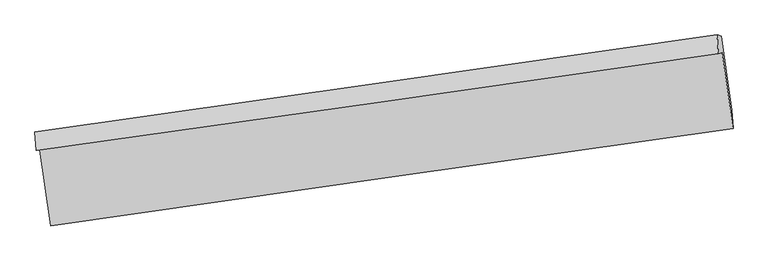
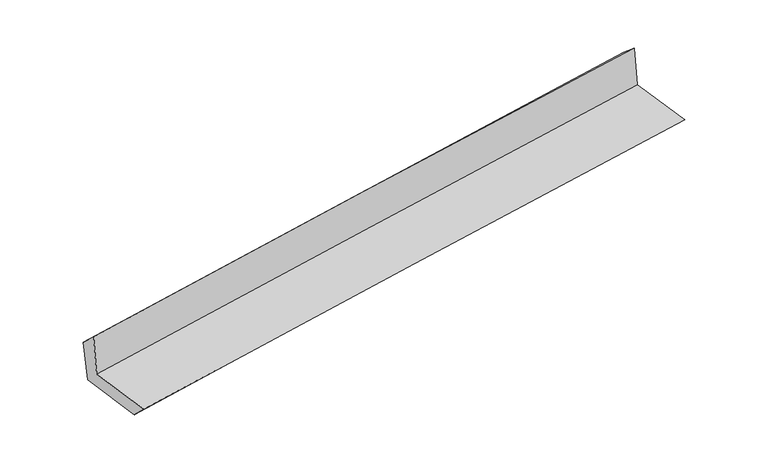
"""IFC4 building model written with IfcOpenShell, lengths in millimetres: proxy geometry."""

from ifc_helpers import new_model, si_unit, frame, origin, place, context, project, spatial, source, transform, mapped, element, save
from ifc_brep_helpers import plane_surface, spline_curve, spline_surface, advanced_brep


def generic_models_7dad4012(model_context):
    return source(origin(), model_context, "Body", "AdvancedBrep", [
        advanced_brep(
        [(-2991.5993649, -1927.3072695, 1650.9711871), (-2898.6164397, -2589.7007487, 1646.7108539), (3041.8136217, -1743.8360212, 2138.8236711), (2946.8902865, -1081.7167905, 2142.9201031), (-3025.550407, -1934.59325, 2065.1055333), (2913.7383339, -1088.8312843, 2547.3071671), (-3035.4154926, -1772.773864, 1913.9666863), (2901.9539623, -925.6279146, 2410.8755399), (-2999.1538164, -1785.9951017, 1506.4276314), (2936.9550594, -938.3604172, 2018.1556501), (-2907.2606425, -2437.647897, 1497.2866048), (3029.7372237, -1582.6588206, 2009.273554)],
        [
            (0, 1),
            (1, 2, spline_curve(3, [(-2898.6164397, -2589.7007487, 1646.7108539), (-1909.130621587, -2448.597869344, 1735.810274712), (-919.350468543, -2307.557502531, 1821.369492688), (1060.792888466, -2025.602593891, 1985.40705807), (2051.156089436, -1884.688051522, 2063.885445865), (3041.8136217, -1743.8360212, 2138.8236711)], [4, 2, 4], [0.0, 9.874632448756357, 19.749208860927382])),
            (2, 3),
            (3, 0, spline_curve(3, [(2946.8902865, -1081.7167905, 2142.9201031), (1957.002003487, -1225.825998895, 2067.986493571), (967.185128343, -1368.346280843, 1989.524072071), (-1012.311422985, -1650.209792119, 1825.541140242), (-2001.991098383, -1789.553003086, 1740.020589607), (-2991.5993649, -1927.3072695, 1650.9711871)], [4, 2, 4], [0.0, 9.874576412171026, 19.749208860927382])),
            (4, 0),
            (3, 5),
            (5, 4, spline_curve(3, [(2913.7383339, -1088.8312843, 2547.3071671), (1923.444556204, -1233.027513096, 2477.319777113), (933.358342611, -1375.605595702, 2402.142741602), (-1046.404573608, -1657.526269223, 2241.40892253), (-2036.081273466, -1796.868841741, 2155.852080195), (-3025.550407, -1934.59325, 2065.1055333)], [4, 2, 4], [0.0, 9.873028920091024, 19.746113867985617])),
            (6, 4),
            (5, 7),
            (7, 6, spline_curve(3, [(2901.9539623, -925.6279146, 2410.8755399), (1912.161587449, -1068.400676288, 2333.463391778), (922.486015702, -1210.38235472, 2253.348371619), (-1056.637137085, -1492.764346713, 2087.712117803), (-2046.084716977, -1633.164651558, 2002.190853276), (-3035.4154926, -1772.773864, 1913.9666863)], [4, 2, 4], [0.0, 9.872605448543823, 19.745266922488085])),
            (8, 6),
            (7, 9),
            (9, 8, spline_curve(3, [(2936.9550594, -938.3604172, 2018.1556501), (1947.816733653, -1081.375799459, 1933.300202992), (958.573235254, -1223.519516127, 1848.228599376), (-1020.129722444, -1506.064420969, 1677.65259583), (-2009.589182269, -1646.465598882, 1592.148192924), (-2999.1538164, -1785.9951017, 1506.4276314)], [4, 2, 4], [0.0, 9.872165747522653, 19.744387517950514])),
            (10, 8),
            (9, 11),
            (11, 10, spline_curve(3, [(3029.7372237, -1582.6588206, 2009.273554), (2039.730132238, -1721.663327364, 1924.449854633), (1049.978167464, -1862.414463639, 1839.372547696), (-929.021123895, -2147.410802413, 1668.710234265), (-1918.268448132, -2291.656025418, 1583.125224704), (-2907.2606425, -2437.647897, 1497.2866048)], [4, 2, 4], [0.0, 9.873801898344762, 19.74765982887962])),
            (1, 10),
            (11, 2),
        ],
        [
            spline_surface(3, 3, [[(-2991.5993649, -1927.3072695, 1650.9711871), (-2001.991098309, -1789.553002928, 1740.020589581), (-1012.311422959, -1650.209792012, 1825.541140175), (967.185128318, -1368.34628095, 1989.524072138), (1957.002003434, -1225.825998922, 2067.986493516), (2946.8902865, -1081.7167905, 2142.9201031)], [(-2960.605056501, -2148.105095871, 1649.551076025), (-1971.037606061, -2009.234625028, 1738.617151233), (-981.324438145, -1869.325695505, 1824.150591003), (998.387715082, -1587.431718647, 1988.151734166), (1988.38669874, -1445.44668318, 2066.61947761), (2978.531398219, -1302.423200737, 2141.554625752)], [(-2929.610748099, -2368.902922329, 1648.130964975), (-1940.08411381, -2228.916247215, 1737.213712911), (-950.337453416, -2088.441598943, 1822.76004177), (1029.590301761, -1806.517156288, 1986.779396132), (2019.771394087, -1665.067367428, 2065.252461748), (3010.172509981, -1523.129610963, 2140.189148448)], [(-2898.6164397, -2589.7007487, 1646.7108539), (-1909.130621561, -2448.597869315, 1735.810274563), (-919.350468602, -2307.557502437, 1821.369492598), (1060.792888525, -2025.602593985, 1985.40705816), (2051.156089393, -1884.688051686, 2063.885445841), (3041.8136217, -1743.8360212, 2138.8236711)]], [4, 4], [4, 2, 4], [0.0, 2.1781542305613364], [0.0, 9.874632448756357, 19.749208860927382]),
            spline_surface(3, 3, [[(-3025.550407, -1934.59325, 2065.1055333), (-2036.081273578, -1796.868841762, 2155.852080262), (-1046.404573486, -1657.526269266, 2241.408922543), (933.358342488, -1375.605595659, 2402.142741589), (1923.444556059, -1233.027512938, 2477.319777214), (2913.7383339, -1088.8312843, 2547.3071671)], [(-3014.233392952, -1932.164589833, 1927.060751234), (-2024.717881807, -1794.430228816, 2017.241583369), (-1035.040189975, -1655.08744349, 2102.786328414), (944.633937767, -1373.185824065, 2264.603185099), (1934.630371881, -1230.627008245, 2340.875349315), (2924.788984796, -1086.459786346, 2412.5114791)], [(-3002.916378948, -1929.735929667, 1789.015969166), (-2013.35449008, -1791.991615873, 1878.631086475), (-1023.675806471, -1652.648617787, 1964.163734304), (955.909533039, -1370.766052544, 2127.063628628), (1945.816187613, -1228.226503614, 2204.430921415), (2935.839635604, -1084.088288454, 2277.7157911)], [(-2991.5993649, -1927.3072695, 1650.9711871), (-2001.991098309, -1789.553002928, 1740.020589581), (-1012.311422959, -1650.209792012, 1825.541140175), (967.185128318, -1368.34628095, 1989.524072138), (1957.002003434, -1225.825998922, 2067.986493516), (2946.8902865, -1081.7167905, 2142.9201031)]], [4, 4], [4, 2, 4], [0.0, 1.3638347295519937], [0.0, 9.873084947894593, 19.746113867985617]),
            spline_surface(3, 3, [[(-3035.4154926, -1772.773864, 1913.9666863), (-2046.084717094, -1633.164651403, 2002.190853311), (-1056.637137167, -1492.764346773, 2087.712117789), (922.486015785, -1210.382354661, 2253.348371633), (1912.161587505, -1068.400676158, 2333.463391714), (2901.9539623, -925.6279146, 2410.8755399)], [(-3032.127130732, -1826.713659344, 1964.346301965), (-2042.750235921, -1687.732714867, 2053.411262293), (-1053.226282604, -1547.684987614, 2138.944386038), (926.110124688, -1265.456768337, 2302.946494949), (1915.922577017, -1123.27628842, 2381.415520239), (2905.88208616, -980.029037836, 2456.352748992)], [(-3028.838768868, -1880.653454656, 2014.725917635), (-2039.415754751, -1742.300778298, 2104.63167128), (-1049.815428049, -1602.605628424, 2190.176654294), (929.734233585, -1320.531181982, 2352.544618273), (1919.683566548, -1178.151900675, 2429.367648688), (2909.81021004, -1034.430161064, 2501.829958008)], [(-3025.550407, -1934.59325, 2065.1055333), (-2036.081273578, -1796.868841762, 2155.852080262), (-1046.404573486, -1657.526269266, 2241.408922543), (933.358342488, -1375.605595659, 2402.142741589), (1923.444556059, -1233.027512938, 2477.319777214), (2913.7383339, -1088.8312843, 2547.3071671)]], [4, 4], [4, 2, 4], [0.0, 0.735150772909493], [0.0, 9.872661473944262, 19.745266922488085]),
            spline_surface(3, 3, [[(-2999.1538164, -1785.9951017, 1506.4276314), (-2009.589182303, -1646.465598915, 1592.148192955), (-1020.129722299, -1506.064420906, 1677.65259571), (958.573235109, -1223.51951619, 1848.228599496), (1947.816733701, -1081.375799345, 1933.300202962), (2936.9550594, -938.3604172, 2018.1556501)], [(-3011.241041807, -1781.588022467, 1642.273983024), (-2021.754360574, -1642.031949745, 1728.82907973), (-1032.298860607, -1501.631062856, 1814.339103065), (946.544161983, -1219.140462341, 1983.268523537), (1935.931684953, -1077.050758273, 2066.687932516), (2925.288027017, -934.116249657, 2149.062280004)], [(-3023.328267193, -1777.180943233, 1778.120334676), (-2033.919538824, -1637.598300573, 1865.509966535), (-1044.467998859, -1497.197704822, 1951.025610434), (934.515088911, -1214.761408509, 2118.308447592), (1924.046636253, -1072.725717229, 2200.075662159), (2913.620994683, -929.872082143, 2279.968909996)], [(-3035.4154926, -1772.773864, 1913.9666863), (-2046.084717094, -1633.164651403, 2002.190853311), (-1056.637137167, -1492.764346773, 2087.712117789), (922.486015785, -1210.382354661, 2253.348371633), (1912.161587505, -1068.400676158, 2333.463391714), (2901.9539623, -925.6279146, 2410.8755399)]], [4, 4], [4, 2, 4], [0.0, 1.3432287390199047], [0.0, 9.872221770427862, 19.744387517950514]),
            spline_surface(3, 3, [[(-2907.2606425, -2437.647897, 1497.2866048), (-1918.268447978, -2291.656025296, 1583.125224765), (-929.021124033, -2147.410802507, 1668.710234212), (1049.978167602, -1862.414463544, 1839.372547749), (2039.730132378, -1721.663327506, 1924.449854672), (3029.7372237, -1582.6588206, 2009.273554)], [(-2937.891700451, -2220.430298576, 1500.33361368), (-1948.708692738, -2076.592549845, 1586.132880842), (-959.390656785, -1933.628675309, 1671.691021388), (1019.509856774, -1649.449481096, 1842.324565008), (2009.092332832, -1508.234151458, 1927.399970773), (2998.809835613, -1367.892686139, 2012.234252705)], [(-2968.522758449, -2003.212700124, 1503.38062252), (-1979.148937544, -1861.529074366, 1589.140536878), (-989.760189547, -1719.846548103, 1674.671808534), (989.041545937, -1436.484498638, 1845.276582237), (1978.454533247, -1294.804975393, 1930.35008686), (2967.882447487, -1153.126551661, 2015.194951395)], [(-2999.1538164, -1785.9951017, 1506.4276314), (-2009.589182303, -1646.465598915, 1592.148192955), (-1020.129722299, -1506.064420906, 1677.65259571), (958.573235109, -1223.51951619, 1848.228599496), (1947.816733701, -1081.375799345, 1933.300202962), (2936.9550594, -938.3604172, 2018.1556501)]], [4, 4], [4, 2, 4], [0.0, 2.1215684221524334], [0.0, 9.873857930534857, 19.74765982887962]),
            spline_surface(3, 3, [[(-2898.6164397, -2589.7007487, 1646.7108539), (-1909.130621561, -2448.597869315, 1735.810274563), (-919.350468602, -2307.557502437, 1821.369492598), (1060.792888525, -2025.602593985, 1985.40705816), (2051.156089393, -1884.688051686, 2063.885445841), (3041.8136217, -1743.8360212, 2138.8236711)], [(-2901.497840658, -2539.016464809, 1596.902770873), (-1912.176563724, -2396.283921317, 1684.915257969), (-922.57402043, -2254.175269125, 1770.48307312), (1057.187981533, -1971.206550502, 1936.728888007), (2047.347437049, -1830.346476977, 2017.406915464), (3037.788155694, -1690.110287684, 2095.640298746)], [(-2904.379241542, -2488.332180891, 1547.094687827), (-1915.222505815, -2343.969973294, 1634.020241358), (-925.797572204, -2200.793035819, 1719.596653691), (1053.583074594, -1916.810507027, 1888.050717902), (2043.538784722, -1776.004902215, 1970.928385048), (3033.762689706, -1636.384554116, 2052.456926354)], [(-2907.2606425, -2437.647897, 1497.2866048), (-1918.268447978, -2291.656025296, 1583.125224765), (-929.021124033, -2147.410802507, 1668.710234212), (1049.978167602, -1862.414463544, 1839.372547749), (2039.730132378, -1721.663327506, 1924.449854672), (3029.7372237, -1582.6588206, 2009.273554)]], [4, 4], [4, 2, 4], [0.0, 0.7228708159724897], [0.0, 9.875818524234903, 19.75158100515373]),
            plane_surface(frame((2961.8480812, -1226.8385414, 2211.2259476), z_axis=(0.986506842135244, 0.14091278818893355, 0.08335368345292221), x_axis=(-0.08872671186934568, 0.03227650514157551, 0.9955329215132467))),
            plane_surface(frame((-2976.2660272, -2074.6696885, 1713.4114161), z_axis=(-0.9869197025529467, -0.138002023370703, -0.08333632016351004), x_axis=(-0.1390084156501233, 0.9902707176880025, 0.006369149718059617))),
        ],
        [
            (0, [[1, 2, 3, 4]]),
            (1, [[5, -4, 6, 7]]),
            (2, [[8, -7, 9, 10]]),
            (3, [[11, -10, 12, 13]]),
            (4, [[14, -13, 15, 16]]),
            (5, [[17, -16, 18, -2]]),
            (6, [[-12, -9, -6, -3, -18, -15]]),
            (7, [[-1, -5, -8, -11, -14, -17]]),
        ],
    ),
    ])


if __name__ == "__main__":
    model = new_model("IFC4")
    model_context = context("Model", 3, world=origin())
    ifc_project = project(units=[si_unit("LENGTHUNIT", "METRE", prefix="MILLI")], contexts=[model_context])
    site = spatial("IfcSite", under=ifc_project)
    building = spatial("IfcBuilding", under=site)
    placement = place(None, origin())
    generic_models_shape = generic_models_7dad4012(model_context)
    element("IfcBuildingElementProxy", 1, Name="Generic Models", at=placement, inside=building, context=model_context, shape_type="MappedRepresentation", body=[
        mapped(generic_models_shape, transform((0.0, 0.0, 0.0), x_axis=(1.0, 0.0, 0.0), y_axis=(0.0, 1.0, 0.0), z_axis=(0.0, 0.0, 1.0))),
    ])
    save(model, "model.ifc")
